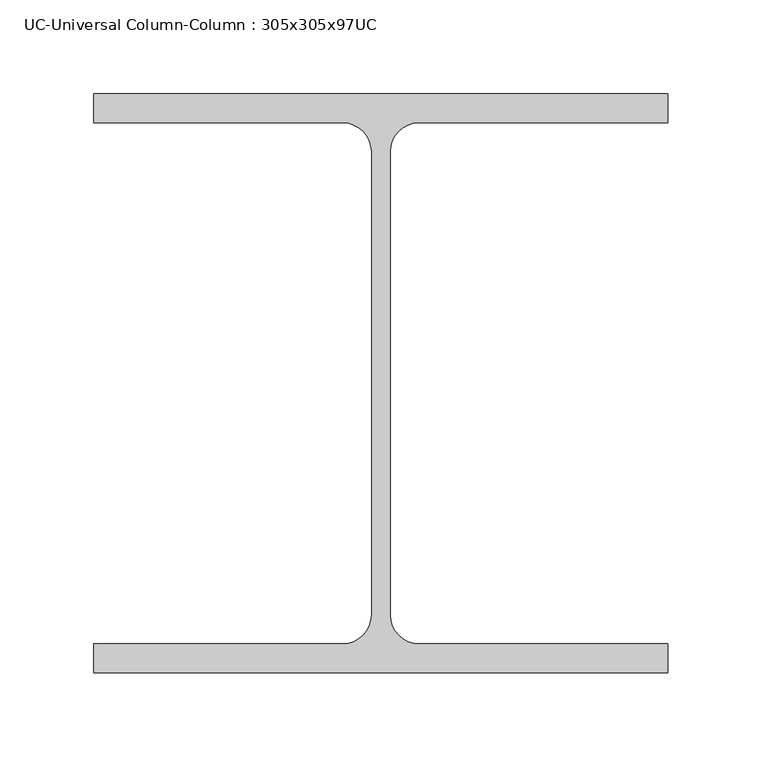
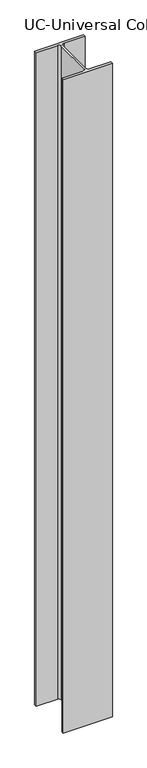
"""IFC4 building model written with IfcOpenShell, lengths in millimetres: column geometry, UC-Universal Column-Column : 305x305x97UC."""

from ifc_helpers import new_model, si_unit, point, frame, frame_2d, origin, place, context, project, spatial, polyline, circle_curve, trimmed, segment, composite_curve, outline, extrude, source, transform, mapped, element, save


def uc_universal_column_column_305x305x97uc_ada3c0e1(model_context):
    return source(origin(), model_context, "Body", "SweptSolid", [
        extrude(outline(composite_curve([segment(polyline([(152.65, 153.95), (152.65, 138.55), (20.15, 138.55)]), True, "CONTINUOUS"), segment(trimmed(circle_curve(frame_2d((20.15, 123.35)), 15.2), [point((20.15, 138.55))], [point((4.95, 123.35))], True, "CARTESIAN"), True, "CONTINUOUS"), segment(polyline([(4.95, 123.35), (4.95, -123.35)]), True, "CONTINUOUS"), segment(trimmed(circle_curve(frame_2d((20.15, -123.35)), 15.2), [point((4.95, -123.35))], [point((20.15, -138.55))], True, "CARTESIAN"), True, "CONTINUOUS"), segment(polyline([(20.15, -138.55), (152.65, -138.55), (152.65, -153.95), (-152.65, -153.95), (-152.65, -138.55), (-20.15, -138.55)]), True, "CONTINUOUS"), segment(trimmed(circle_curve(frame_2d((-20.15, -123.35)), 15.2), [point((-20.15, -138.55))], [point((-4.95, -123.35))], True, "CARTESIAN"), True, "CONTINUOUS"), segment(polyline([(-4.95, -123.35), (-4.95, 123.35)]), True, "CONTINUOUS"), segment(trimmed(circle_curve(frame_2d((-20.15, 123.35)), 15.2), [point((-4.95, 123.35))], [point((-20.15, 138.55))], True, "CARTESIAN"), True, "CONTINUOUS"), segment(polyline([(-20.15, 138.55), (-152.65, 138.55), (-152.65, 153.95), (152.65, 153.95)]), True, "CONTINUOUS")], self_intersect=False)), frame((0.0, 0.0, -300.0), z_axis=(0.0, 0.0, 1.0), x_axis=(1.0, 0.0, 0.0)), (0.0, 0.0, 1.0), 4300.0),
    ])


if __name__ == "__main__":
    model = new_model("IFC4")
    model_context = context("Model", 3, world=origin())
    ifc_project = project(units=[si_unit("LENGTHUNIT", "METRE", prefix="MILLI")], contexts=[model_context])
    site = spatial("IfcSite", under=ifc_project)
    building = spatial("IfcBuilding", under=site)
    placement = place(None, origin())
    uc_universal_column_column_305x305x97uc_shape = uc_universal_column_column_305x305x97uc_ada3c0e1(model_context)
    element("IfcColumn", 1, ObjectType="UC-Universal Column-Column : 305x305x97UC", at=placement, inside=building, context=model_context, shape_type="MappedRepresentation", body=[
        mapped(uc_universal_column_column_305x305x97uc_shape, transform((0.0, 0.0, 0.0), x_axis=(1.0, 0.0, 0.0), y_axis=(0.0, 1.0, 0.0), z_axis=(0.0, 0.0, 1.0))),
    ])
    save(model, "model.ifc")
